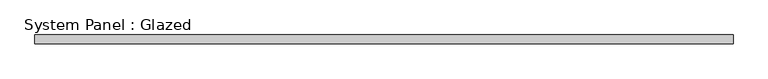
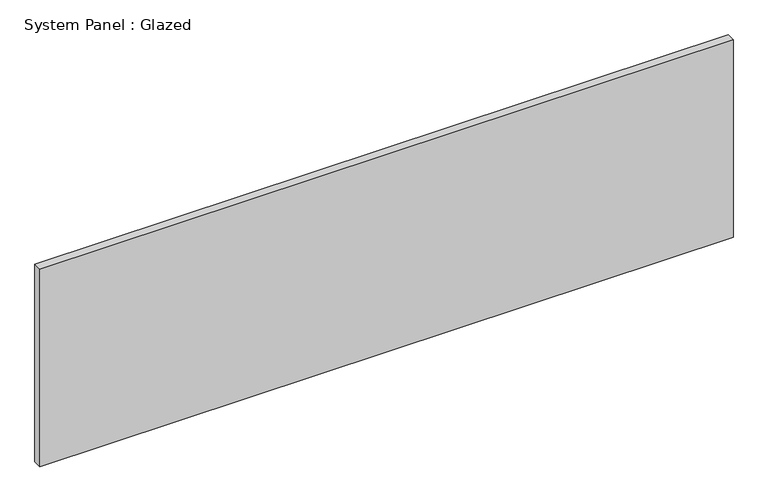
"""IFC4 building model written with IfcOpenShell, lengths in millimetres: plate geometry, System Panel : Glazed."""

from ifc_helpers import new_model, si_unit, origin, origin_with_axes, place, context, project, spatial, polyline, outline, extrude, source, transform, mapped, element, save


def system_panel_glazed_448cde72(model_context):
    return source(origin(), model_context, "Body", "SweptSolid", [
        extrude(outline(polyline([(997.0, -37.5), (-997.0, -37.5), (-997.0, -12.5), (997.0, -12.5), (997.0, -37.5)])), origin_with_axes(), (0.0, 0.0, 1.0), 600.0),
    ])


if __name__ == "__main__":
    model = new_model("IFC4")
    model_context = context("Model", 3, world=origin())
    ifc_project = project(units=[si_unit("LENGTHUNIT", "METRE", prefix="MILLI")], contexts=[model_context])
    site = spatial("IfcSite", under=ifc_project)
    building = spatial("IfcBuilding", under=site)
    placement = place(None, origin())
    system_panel_glazed_shape = system_panel_glazed_448cde72(model_context)
    element("IfcPlate", 1, ObjectType="System Panel : Glazed", at=placement, inside=building, context=model_context, shape_type="MappedRepresentation", body=[
        mapped(system_panel_glazed_shape, transform((0.0, 0.0, 0.0), x_axis=(1.0, 0.0, 0.0), y_axis=(0.0, 1.0, 0.0), z_axis=(0.0, 0.0, 1.0))),
    ])
    save(model, "model.ifc")
